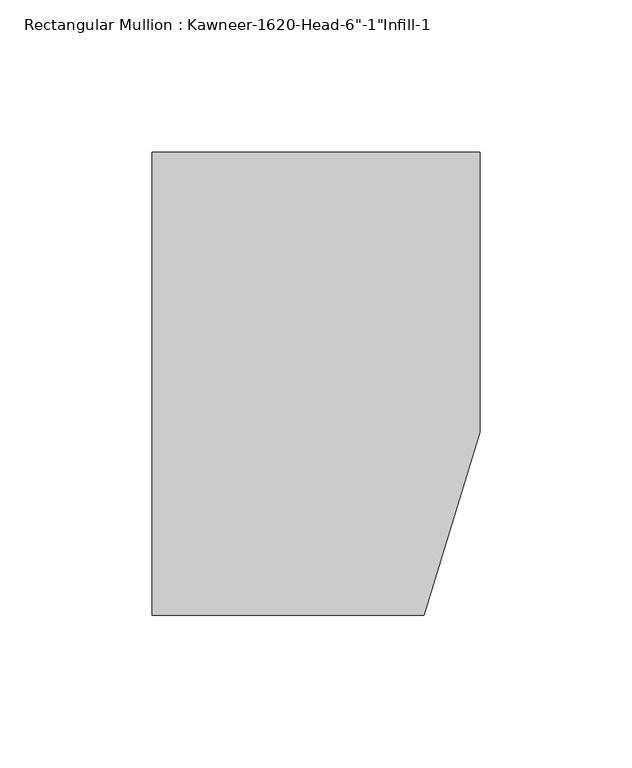
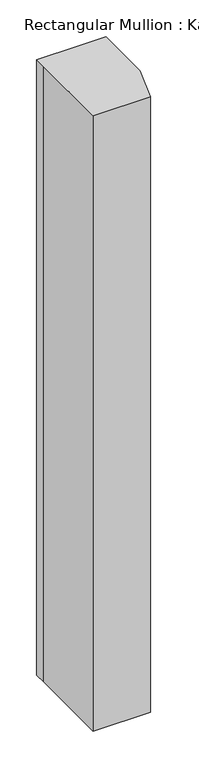
"""IFC4 building model written with IfcOpenShell, lengths in millimetres: member geometry."""

from ifc_helpers import new_model, si_unit, frame, origin, place, context, project, spatial, polyline, outline, extrude, source, transform, mapped, element, save


def member_ee277f17(model_context):
    return source(origin(), model_context, "Body", "SweptSolid", [
        extrude(outline(polyline([(-107.95, 19.9095466), (-107.95, 38.1), (-44.1519366, 38.1), (0.0, 38.1), (0.0, -53.975), (-18.3538271, -114.3), (-107.95, -114.3), (-107.95, 19.9095466)])), frame((0.0, 0.0, -1016.0), z_axis=(0.0, 0.0, 1.0), x_axis=(1.0, 0.0, 0.0)), (0.0, 0.0, 1.0), 1016.0),
    ])


if __name__ == "__main__":
    model = new_model("IFC4")
    model_context = context("Model", 3, world=origin())
    ifc_project = project(units=[si_unit("LENGTHUNIT", "METRE", prefix="MILLI")], contexts=[model_context])
    site = spatial("IfcSite", under=ifc_project)
    building = spatial("IfcBuilding", under=site)
    placement = place(None, origin())
    member_shape = member_ee277f17(model_context)
    element("IfcMember", 1, ObjectType="Rectangular Mullion : Kawneer-1620-Head-6\"-1\"Infill-1", at=placement, inside=building, context=model_context, shape_type="MappedRepresentation", body=[
        mapped(member_shape, transform((0.0, 0.0, 0.0), x_axis=(1.0, 0.0, 0.0), y_axis=(0.0, 1.0, 0.0), z_axis=(0.0, 0.0, 1.0))),
    ])
    save(model, "model.ifc")
